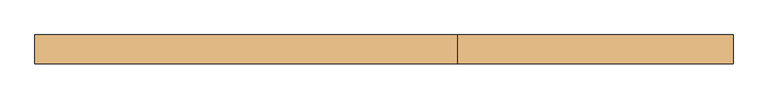
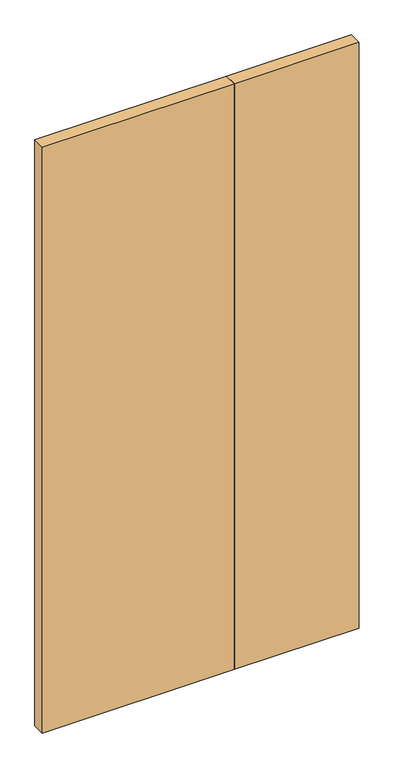
"""IFC4 building model written with IfcOpenShell, lengths in millimetres: door geometry."""

from ifc_helpers import new_model, si_unit, origin, origin_with_axes, place, context, project, spatial, polyline, outline, extrude, source, transform, mapped, element, save


def door_51764d91(model_context):
    return source(origin(), model_context, "Body", "SweptSolid", [
        extrude(outline(polyline([(130.5231001, 0.0), (615.95, 0.0), (615.95, -50.8), (130.5231001, -50.8), (130.5231001, 0.0)])), origin_with_axes(), (0.0, 0.0, 1.0), 2406.65),
        extrude(outline(polyline([(130.5231001, 0.0), (130.5231001, -50.8), (-615.95, -50.8), (-615.95, 0.0), (130.5231001, 0.0)])), origin_with_axes(), (0.0, 0.0, 1.0), 2406.65),
    ])


if __name__ == "__main__":
    model = new_model("IFC4")
    model_context = context("Model", 3, world=origin())
    ifc_project = project(units=[si_unit("LENGTHUNIT", "METRE", prefix="MILLI")], contexts=[model_context])
    site = spatial("IfcSite", under=ifc_project)
    building = spatial("IfcBuilding", under=site)
    placement = place(None, origin())
    door_shape = door_51764d91(model_context)
    element("IfcDoor", 1, at=placement, inside=building, context=model_context, shape_type="MappedRepresentation", body=[
        mapped(door_shape, transform((0.0, 0.0, 0.0), x_axis=(1.0, 0.0, 0.0), y_axis=(0.0, 1.0, 0.0), z_axis=(0.0, 0.0, 1.0))),
    ])
    save(model, "model.ifc")
